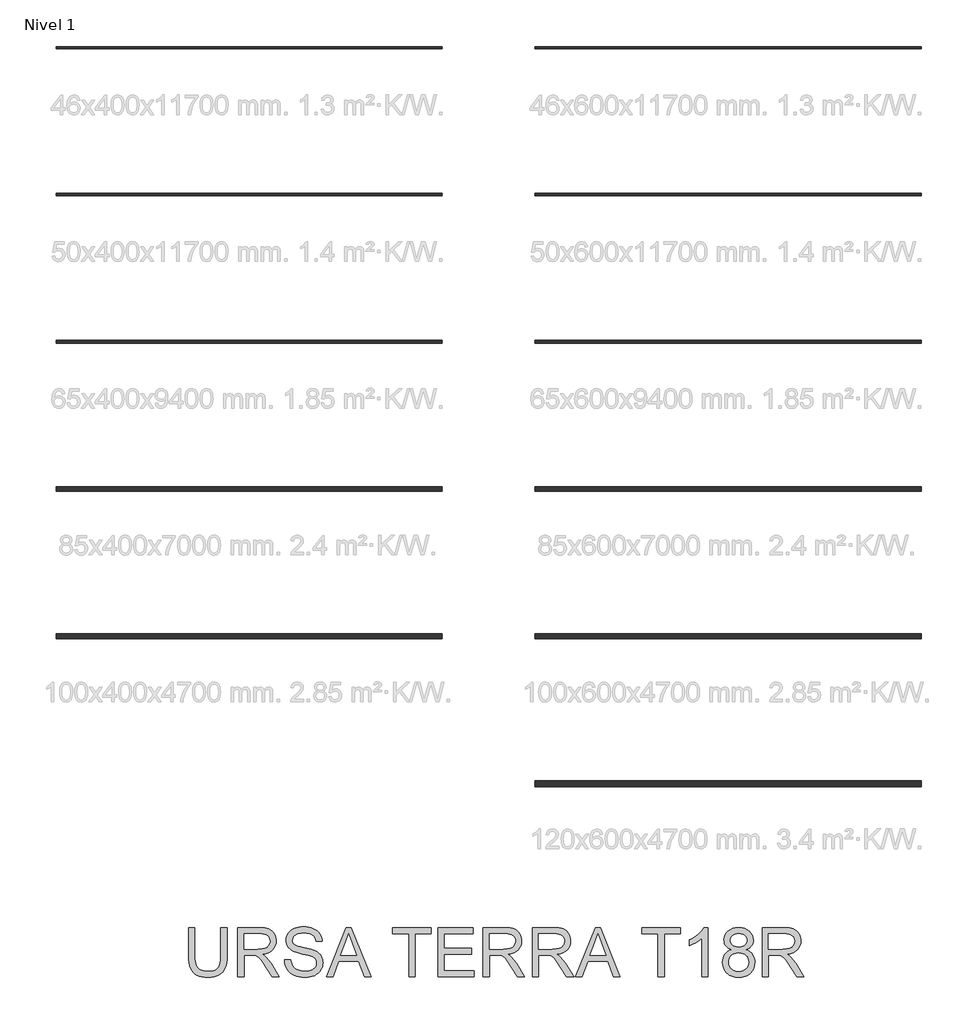
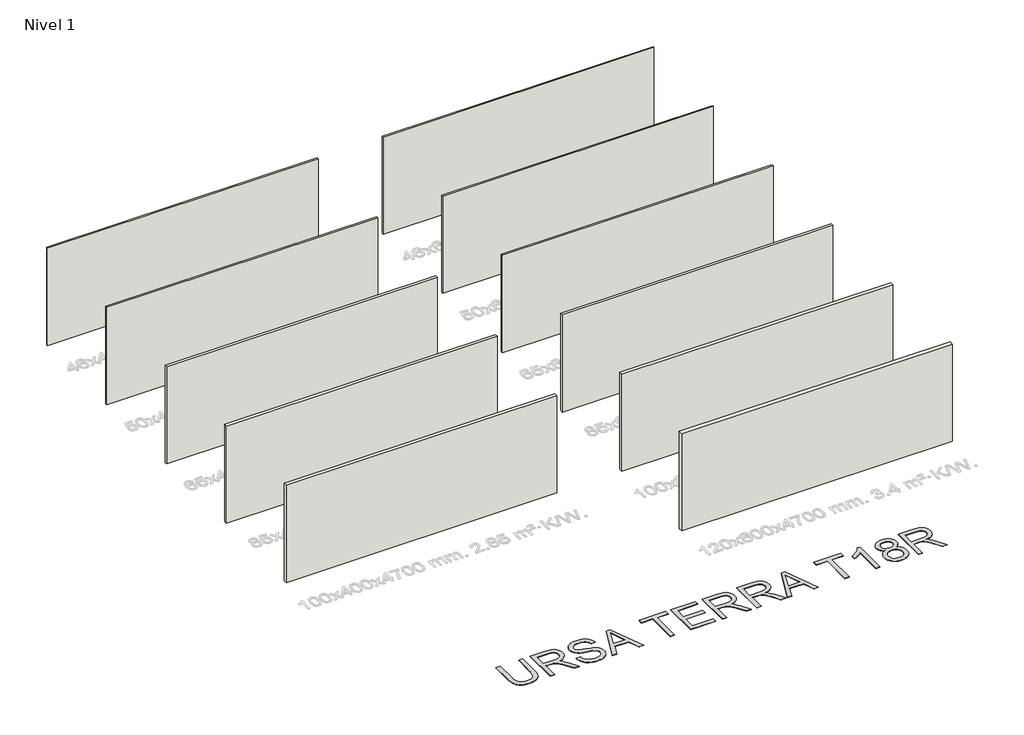
# One storey, part 1 of 12: 11 walls, 1 proxy.
"""IFC4 building model written with IfcOpenShell, lengths in millimetres."""

from ifc_helpers import new_model, si_unit, origin, origin_with_axes, place, context, project, spatial, polyline, outline, extrude, element, save

model = new_model("IFC4")

# Units and contexts
model_context = context("Model", 3, world=origin())
ifc_project = project(units=[si_unit("LENGTHUNIT", "METRE", prefix="MILLI")], contexts=[model_context])

# Site, building, storey
site = spatial("IfcSite", under=ifc_project)
building = spatial("IfcBuilding", under=site)
storey = spatial("IfcBuildingStorey", under=building, Name="Nivel 1", Elevation=0.0)

# Proxy
placement = place(None, origin())
element("IfcBuildingElementProxy", 1, Name="Texto de modelo 2", ObjectType="Texto de modelo 2", at=placement, inside=storey, context=model_context, shape_type="SweptSolid", body=[
    extrude(outline(polyline([(-8258.3419569, -14017.8387308), (-8132.7715692, -14017.8387308), (-8132.7715692, -14597.3755006), (-8134.9022191, -14669.1354823), (-8141.2941687, -14733.0933), (-8151.9474182, -14789.2489537), (-8166.8619674, -14837.6024434), (-8187.3254034, -14879.985515), (-8214.6253131, -14918.229914), (-8248.7616966, -14952.3356407), (-8289.7345538, -14982.3026949), (-8337.58987, -15006.7131981), (-8392.3736304, -15024.1492718), (-8454.0858351, -15034.6109161), (-8522.7264841, -15038.0981308), (-8589.673343, -15035.0631043), (-8650.2282522, -15025.958025), (-8704.3912118, -15010.7828927), (-8752.1622217, -14989.5377074), (-8793.5489462, -14962.5367018), (-8828.5590494, -14930.0941084), (-8857.1925313, -14892.2099271), (-8879.449392, -14848.8841579), (-8896.1343734, -14798.6299446), (-8908.0522172, -14739.9604305), (-8915.2029235, -14672.8756159), (-8917.5864922, -14597.3755006), (-8917.5864922, -14017.8387308), (-8792.0161045, -14017.8387308), (-8792.0161045, -14592.9609166), (-8790.4679345, -14653.66911), (-8785.8234243, -14705.8087187), (-8778.082574, -14749.3797425), (-8767.2453835, -14784.3821815), (-8752.6374026, -14813.3452244), (-8733.584181, -14838.7980599), (-8710.0857185, -14860.7406881), (-8682.1420153, -14879.1731089), (-8650.2895659, -14893.7657614), (-8615.0648648, -14904.1890846), (-8576.4679122, -14910.4430785), (-8534.4987079, -14912.5277431), (-8465.2909076, -14908.4043991), (-8406.7823419, -14896.034367), (-8358.973011, -14875.4176468), (-8339.0805585, -14862.0167788), (-8321.8629147, -14846.5542386), (-8306.9751902, -14828.1601389), (-8294.0724956, -14805.9645918), (-8274.2221963, -14750.1691559), (-8262.3120167, -14679.1679308), (-8258.3419569, -14592.9609166), (-8258.3419569, -14017.8387308)])), origin_with_axes(), (0.0, 0.0, 1.0), 10.0),
    extrude(outline(polyline([(-7913.0233907, -15022.4018323), (-7913.0233907, -14017.8387308), (-7480.1489097, -14017.8387308), (-7418.0151736, -14019.5325209), (-7363.8062287, -14024.6138909), (-7317.5220752, -14033.082841), (-7279.162713, -14044.9393712), (-7246.4978575, -14061.0955221), (-7217.2972242, -14082.4633347), (-7191.5608129, -14109.0428088), (-7169.2886238, -14140.8339446), (-7151.3160555, -14176.1276235), (-7138.4785067, -14213.2147271), (-7130.7759774, -14252.0952555), (-7128.2084677, -14292.7692086), (-7132.4621032, -14344.3646584), (-7145.2230099, -14391.7294653), (-7166.4911878, -14434.8636292), (-7196.2666368, -14473.7671502), (-7234.9325673, -14507.1984265), (-7282.8721898, -14533.9158564), (-7340.0855043, -14553.9194399), (-7406.5725107, -14567.209177), (-7365.1857862, -14594.2485036), (-7335.2034036, -14620.9199483), (-7283.761238, -14681.9270458), (-7233.4227183, -14750.1691559), (-7065.9137832, -15022.4018323), (-7211.8403079, -15022.4018323), (-7342.5610435, -14814.1806231), (-7394.8616005, -14734.7181121), (-7436.984089, -14676.3475022), (-7472.0861627, -14636.1563942), (-7503.3254754, -14611.2323891), (-7532.9093192, -14596.6090798), (-7563.044986, -14587.3200594), (-7635.885621, -14582.9054754), (-7787.453003, -14582.9054754), (-7787.453003, -15022.4018323), (-7913.0233907, -15022.4018323)]), holes=[polyline([(-7787.453003, -14457.3350877), (-7506.3911587, -14457.3350877), (-7425.6717176, -14452.889847), (-7363.0398079, -14439.5541246), (-7337.8552197, -14429.3300709), (-7315.8895989, -14416.4388726), (-7297.1429455, -14400.8805299), (-7281.6152597, -14382.6550427), (-7269.4368328, -14362.6591234), (-7260.7379564, -14341.7894844), (-7255.5186306, -14320.0461257), (-7253.7788554, -14297.4290472), (-7257.0974575, -14265.3160147), (-7267.053264, -14236.176695), (-7283.6462748, -14210.0110881), (-7306.87649, -14186.819194), (-7337.2804041, -14167.827286), (-7375.3945116, -14154.2616374), (-7421.2188126, -14146.1222482), (-7474.7533071, -14143.4091185), (-7787.453003, -14143.4091185), (-7787.453003, -14457.3350877)])]), origin_with_axes(), (0.0, 0.0, 1.0), 10.0),
    extrude(outline(polyline([(-6955.5491846, -14677.0832662), (-6829.9787969, -14677.0832662), (-6824.2306407, -14713.6338753), (-6815.5700854, -14746.7662475), (-6803.997131, -14776.4803828), (-6789.5117774, -14802.7762812), (-6771.3782608, -14826.1827732), (-6748.860817, -14847.228689), (-6721.9594461, -14865.9140286), (-6690.6741481, -14882.2387922), (-6656.1545542, -14895.4902082), (-6619.5502957, -14904.9555054), (-6580.8613725, -14910.6346837), (-6540.0877847, -14912.5277431), (-6470.128892, -14906.7949154), (-6438.4143983, -14899.6288807), (-6408.8765398, -14889.5964321), (-6382.2434162, -14877.0577874), (-6359.2431273, -14862.3731644), (-6339.875673, -14845.5425632), (-6324.1410535, -14826.5659836), (-6311.9626267, -14806.263496), (-6303.2637503, -14785.4551706), (-6298.0444245, -14764.1410075), (-6296.3046492, -14742.3210067), (-6301.5163108, -14700.2904887), (-6317.1512956, -14663.9621417), (-6330.303077, -14647.8443118), (-6348.9117746, -14632.9680836), (-6372.9773884, -14619.3334572), (-6402.4999185, -14606.9404325), (-6468.8106482, -14587.2280889), (-6585.3372701, -14558.9931457), (-6705.358771, -14527.2633237), (-6749.1597211, -14511.9732282), (-6782.1541375, -14497.0663432), (-6815.6850486, -14477.0627597), (-6844.6634199, -14454.8212274), (-6869.0892515, -14430.3417463), (-6888.9625435, -14403.6243164), (-6904.3599378, -14374.9448492), (-6915.3580766, -14344.5792562), (-6921.9569599, -14312.5275374), (-6924.1565877, -14278.7896928), (-6921.4357938, -14241.3960208), (-6913.273412, -14205.2439506), (-6899.6694424, -14170.333482), (-6880.6238849, -14136.6646153), (-6856.3513374, -14105.6092435), (-6827.0663978, -14078.53926), (-6792.7690659, -14055.4546648), (-6753.4593419, -14036.3554579), (-6710.4631337, -14021.3872593), (-6665.1063494, -14010.6956888), (-6617.388989, -14004.2807465), (-6567.3110524, -14002.1424324), (-6512.6805761, -14004.3803812), (-6461.3610377, -14011.0942276), (-6413.3524374, -14022.2839716), (-6368.654775, -14037.9496132), (-6328.095785, -14057.9531967), (-6292.503202, -14082.1567663), (-6261.8770259, -14110.560322), (-6236.2172567, -14143.1638639), (-6215.7231639, -14179.01703), (-6200.5940168, -14217.1694586), (-6190.8298155, -14257.6211496), (-6186.43056, -14300.3721031), (-6312.0009477, -14300.3721031), (-6320.4009199, -14260.3036225), (-6335.0548861, -14225.4468035), (-6355.9628461, -14195.801646), (-6383.1248001, -14171.3681502), (-6417.0465857, -14152.2689432), (-6458.2340408, -14138.6266526), (-6506.6871652, -14130.4412782), (-6562.4059591, -14127.7128201), (-6619.9028493, -14130.4106214), (-6669.030424, -14138.5040253), (-6709.7886834, -14151.9930317), (-6742.1776274, -14170.8776408), (-6766.8563779, -14193.5790256), (-6784.4840568, -14218.5183592), (-6795.0606642, -14245.6956416), (-6798.5862, -14275.1108728), (-6796.0876681, -14300.4180884), (-6788.5920725, -14323.3647278), (-6776.099413, -14343.9507911), (-6758.6096899, -14362.1762783), (-6731.0798539, -14379.4360753), (-6687.7310921, -14396.8798132), (-6628.5634046, -14414.5074921), (-6553.5767912, -14432.3191121), (-6415.1305337, -14465.9803146), (-6366.4168262, -14481.2014322), (-6331.3760661, -14495.3495606), (-6292.8787482, -14516.7940152), (-6259.7923612, -14540.9056143), (-6232.1169053, -14567.6843579), (-6209.8523804, -14597.1302459), (-6192.7382034, -14629.0899942), (-6180.5137913, -14663.4103187), (-6173.179144, -14700.0912193), (-6170.7342616, -14739.1326961), (-6173.547026, -14778.4117632), (-6181.9853192, -14816.5411992), (-6196.0491414, -14853.5210039), (-6215.7384923, -14889.3511774), (-6240.7084827, -14922.644498), (-6270.6142232, -14952.0137439), (-6305.4557139, -14977.4589153), (-6345.2329546, -14998.980012), (-6388.78865, -15016.094189), (-6434.9655046, -15028.3186011), (-6483.7635184, -15035.6532484), (-6535.1826914, -15038.0981308), (-6599.4164206, -15035.4616432), (-6658.208562, -15027.5521803), (-6711.5591155, -15014.3697421), (-6759.4680812, -14995.9143287), (-6802.2266989, -14972.1552832), (-6840.1262086, -14943.0619487), (-6873.1666103, -14908.6343253), (-6901.347904, -14868.872413), (-6924.0492888, -14825.0637988), (-6940.6499638, -14778.4960695), (-6951.1499291, -14729.1692253), (-6955.5491846, -14677.0832662)])), origin_with_axes(), (0.0, 0.0, 1.0), 10.0),
    extrude(outline(polyline([(-6099.3651545, -15022.4018323), (-5698.3737798, -14017.8387308), (-5591.4427465, -14017.8387308), (-5190.4513717, -15022.4018323), (-5323.1341447, -15022.4018323), (-5438.1585818, -14708.4758631), (-5851.9031991, -14708.4758631), (-5966.6823816, -15022.4018323), (-6099.3651545, -15022.4018323)]), holes=[polyline([(-5805.7953223, -14582.9054754), (-5484.0212039, -14582.9054754), (-5574.5201747, -14335.9340293), (-5644.9082631, -14143.4091185), (-5707.4482023, -14314.351619), (-5805.7953223, -14582.9054754)])]), origin_with_axes(), (0.0, 0.0, 1.0), 10.0),
    extrude(outline(polyline([(-4412.7488339, -15022.4018323), (-4412.7488339, -14143.4091185), (-4742.3711016, -14143.4091185), (-4742.3711016, -14017.8387308), (-3957.5561786, -14017.8387308), (-3957.5561786, -14143.4091185), (-4287.1784463, -14143.4091185), (-4287.1784463, -15022.4018323), (-4412.7488339, -15022.4018323)])), origin_with_axes(), (0.0, 0.0, 1.0), 10.0),
    extrude(outline(polyline([(-3816.2894924, -15022.4018323), (-3816.2894924, -14017.8387308), (-3094.2597632, -14017.8387308), (-3094.2597632, -14143.4091185), (-3690.7191047, -14143.4091185), (-3690.7191047, -14441.6387893), (-3125.6523601, -14441.6387893), (-3125.6523601, -14567.209177), (-3690.7191047, -14567.209177), (-3690.7191047, -14896.8314446), (-3078.5634648, -14896.8314446), (-3078.5634648, -15022.4018323), (-3816.2894924, -15022.4018323)])), origin_with_axes(), (0.0, 0.0, 1.0), 10.0),
    extrude(outline(polyline([(-2890.2078832, -15022.4018323), (-2890.2078832, -14017.8387308), (-2457.3334022, -14017.8387308), (-2395.1996661, -14019.5325209), (-2340.9907213, -14024.6138909), (-2294.7065678, -14033.082841), (-2256.3472055, -14044.9393712), (-2223.6823501, -14061.0955221), (-2194.4817167, -14082.4633347), (-2168.7453054, -14109.0428088), (-2146.4731163, -14140.8339446), (-2128.500548, -14176.1276235), (-2115.6629992, -14213.2147271), (-2107.9604699, -14252.0952555), (-2105.3929602, -14292.7692086), (-2109.6465958, -14344.3646584), (-2122.4075025, -14391.7294653), (-2143.6756803, -14434.8636292), (-2173.4511293, -14473.7671502), (-2212.1170598, -14507.1984265), (-2260.0566823, -14533.9158564), (-2317.2699968, -14553.9194399), (-2383.7570032, -14567.209177), (-2342.3702788, -14594.2485036), (-2312.3878961, -14620.9199483), (-2260.9457305, -14681.9270458), (-2210.6072108, -14750.1691559), (-2043.0982757, -15022.4018323), (-2189.0248004, -15022.4018323), (-2319.745536, -14814.1806231), (-2372.046093, -14734.7181121), (-2414.1685815, -14676.3475022), (-2449.2706552, -14636.1563942), (-2480.5099679, -14611.2323891), (-2510.0938117, -14596.6090798), (-2540.2294785, -14587.3200594), (-2613.0701135, -14582.9054754), (-2764.6374955, -14582.9054754), (-2764.6374955, -15022.4018323), (-2890.2078832, -15022.4018323)]), holes=[polyline([(-2764.6374955, -14457.3350877), (-2483.5756512, -14457.3350877), (-2402.8562101, -14452.889847), (-2340.2243004, -14439.5541246), (-2315.0397122, -14429.3300709), (-2293.0740914, -14416.4388726), (-2274.3274381, -14400.8805299), (-2258.7997522, -14382.6550427), (-2246.6213253, -14362.6591234), (-2237.922449, -14341.7894844), (-2232.7031231, -14320.0461257), (-2230.9633479, -14297.4290472), (-2234.28195, -14265.3160147), (-2244.2377565, -14236.176695), (-2260.8307674, -14210.0110881), (-2284.0609825, -14186.819194), (-2314.4648966, -14167.827286), (-2352.5790041, -14154.2616374), (-2398.4033051, -14146.1222482), (-2451.9377996, -14143.4091185), (-2764.6374955, -14143.4091185), (-2764.6374955, -14457.3350877)])]), origin_with_axes(), (0.0, 0.0, 1.0), 10.0),
    extrude(outline(polyline([(-1885.6447817, -15022.4018323), (-1885.6447817, -14017.8387308), (-1452.7703007, -14017.8387308), (-1390.6365646, -14019.5325209), (-1336.4276198, -14024.6138909), (-1290.1434663, -14033.082841), (-1251.784104, -14044.9393712), (-1219.1192486, -14061.0955221), (-1189.9186152, -14082.4633347), (-1164.1822039, -14109.0428088), (-1141.9100148, -14140.8339446), (-1123.9374465, -14176.1276235), (-1111.0998977, -14213.2147271), (-1103.3973685, -14252.0952555), (-1100.8298587, -14292.7692086), (-1105.0834943, -14344.3646584), (-1117.844401, -14391.7294653), (-1139.1125788, -14434.8636292), (-1168.8880278, -14473.7671502), (-1207.5539583, -14507.1984265), (-1255.4935808, -14533.9158564), (-1312.7068953, -14553.9194399), (-1379.1939017, -14567.209177), (-1337.8071773, -14594.2485036), (-1307.8247946, -14620.9199483), (-1256.382629, -14681.9270458), (-1206.0441093, -14750.1691559), (-1038.5351742, -15022.4018323), (-1184.4616989, -15022.4018323), (-1315.1824346, -14814.1806231), (-1367.4829915, -14734.7181121), (-1409.60548, -14676.3475022), (-1444.7075537, -14636.1563942), (-1475.9468664, -14611.2323891), (-1505.5307102, -14596.6090798), (-1535.666377, -14587.3200594), (-1608.507012, -14582.9054754), (-1760.0743941, -14582.9054754), (-1760.0743941, -15022.4018323), (-1885.6447817, -15022.4018323)]), holes=[polyline([(-1760.0743941, -14457.3350877), (-1479.0125497, -14457.3350877), (-1398.2931086, -14452.889847), (-1335.6611989, -14439.5541246), (-1310.4766107, -14429.3300709), (-1288.5109899, -14416.4388726), (-1269.7643366, -14400.8805299), (-1254.2366507, -14382.6550427), (-1242.0582238, -14362.6591234), (-1233.3593475, -14341.7894844), (-1228.1400217, -14320.0461257), (-1226.4002464, -14297.4290472), (-1229.7188485, -14265.3160147), (-1239.674655, -14236.176695), (-1256.2676659, -14210.0110881), (-1279.497881, -14186.819194), (-1309.9017951, -14167.827286), (-1348.0159026, -14154.2616374), (-1393.8402036, -14146.1222482), (-1447.3746982, -14143.4091185), (-1760.0743941, -14143.4091185), (-1760.0743941, -14457.3350877)])]), origin_with_axes(), (0.0, 0.0, 1.0), 10.0),
    extrude(outline(polyline([(-998.0681547, -15022.4018323), (-597.07678, -14017.8387308), (-490.1457467, -14017.8387308), (-89.154372, -15022.4018323), (-221.8371449, -15022.4018323), (-336.861582, -14708.4758631), (-750.6061993, -14708.4758631), (-865.3853818, -15022.4018323), (-998.0681547, -15022.4018323)]), holes=[polyline([(-704.4983226, -14582.9054754), (-382.7242041, -14582.9054754), (-473.2231749, -14335.9340293), (-543.6112633, -14143.4091185), (-606.1512025, -14314.351619), (-704.4983226, -14582.9054754)])]), origin_with_axes(), (0.0, 0.0, 1.0), 10.0),
    extrude(outline(polyline([(688.5481658, -15022.4018323), (688.5481658, -14143.4091185), (358.9258982, -14143.4091185), (358.9258982, -14017.8387308), (1143.7408212, -14017.8387308), (1143.7408212, -14143.4091185), (814.1185535, -14143.4091185), (814.1185535, -15022.4018323), (688.5481658, -15022.4018323)])), origin_with_axes(), (0.0, 0.0, 1.0), 10.0),
    extrude(outline(polyline([(1708.8075658, -15022.4018323), (1583.2371781, -15022.4018323), (1583.2371781, -14239.5489466), (1530.8139938, -14281.9473465), (1464.2886663, -14324.2844328), (1394.4524009, -14361.2872302), (1332.0964027, -14387.6827633), (1332.0964027, -14268.9795062), (1383.0557233, -14243.427036), (1430.7194343, -14215.3300486), (1475.0875357, -14184.6885441), (1516.1600277, -14151.5025224), (1552.7106367, -14117.3048253), (1583.5130896, -14083.6282943), (1608.5673863, -14050.4729295), (1627.8735269, -14017.8387308), (1708.8075658, -14017.8387308), (1708.8075658, -15022.4018323)])), origin_with_axes(), (0.0, 0.0, 1.0), 10.0),
    extrude(outline(polyline([(2189.9972155, -14469.1073116), (2153.8758021, -14454.0241498), (2122.7667809, -14435.997932), (2096.6701518, -14415.0286583), (2075.585915, -14391.1163286), (2059.3301293, -14364.4908692), (2047.7188539, -14335.3822063), (2040.7520886, -14303.79034), (2038.4298335, -14269.7152702), (2043.4882109, -14218.5030308), (2058.6633432, -14171.5520912), (2083.9552304, -14128.8624513), (2119.3638724, -14090.4341112), (2163.1878151, -14058.6736323), (2213.7256042, -14035.9875759), (2270.9772397, -14022.3759421), (2334.9427216, -14017.8387308), (2399.2147718, -14022.483241), (2456.895603, -14036.4167716), (2507.9852151, -14059.6393225), (2552.4836081, -14092.1508939), (2588.5360436, -14131.3303264), (2614.2877833, -14174.5564608), (2629.7388271, -14221.8292972), (2634.889175, -14273.1488355), (2632.5975767, -14306.0206246), (2625.7227819, -14336.7004502), (2614.2647906, -14365.1883122), (2598.2236028, -14391.4842106), (2577.5225764, -14415.2355919), (2552.0850692, -14436.0899025), (2521.9110814, -14454.0471424), (2487.0006129, -14469.1073116), (2528.2723743, -14486.6660127), (2564.2864888, -14508.9305376), (2595.0429564, -14535.9008863), (2620.5417772, -14567.577059), (2640.5530249, -14603.2539483), (2654.8467732, -14642.2264472), (2663.4230222, -14684.4945556), (2666.2817719, -14730.0582735), (2660.6102578, -14792.6901832), (2643.5957155, -14850.1104313), (2615.2381451, -14902.3190177), (2575.5375464, -14949.3159426), (2551.9547777, -14970.124268), (2526.5785842, -14988.15815), (2499.4089661, -15003.4175885), (2470.4459231, -15015.9025838), (2407.1395631, -15032.549244), (2336.6595042, -15038.0981308), (2266.1794453, -15032.5262514), (2202.8730853, -15015.8106133), (2173.9100424, -15003.2738846), (2146.7404242, -14987.9512163), (2121.3642308, -14969.8426083), (2097.781462, -14948.9480606), (2058.0808634, -14901.6215748), (2029.7232929, -14848.7921874), (2012.7087507, -14790.4598986), (2007.0372366, -14726.6247082), (2010.0109494, -14678.9839898), (2018.9320877, -14635.3899734), (2033.8006517, -14595.8426589), (2054.6166413, -14560.3420464), (2080.9202039, -14529.5319293), (2112.2514872, -14504.0561011), (2148.610491, -14483.9145619), (2189.9972155, -14469.1073116)]), holes=[polyline([(2132.6076242, -14722.2101243), (2137.8499427, -14770.2493815), (2153.576898, -14816.755797), (2166.0772216, -14838.3305432), (2182.6089188, -14857.314787), (2203.1719894, -14873.7085284), (2227.7664337, -14887.5117674), (2281.845087, -14906.2737492), (2337.6405229, -14912.5277431), (2383.0432925, -14909.2397978), (2423.1117731, -14899.3759618), (2457.8459648, -14882.9362351), (2487.2458676, -14859.9206178), (2510.6370311, -14831.8312946), (2527.3450051, -14800.1704504), (2537.3697894, -14764.9380852), (2540.7113842, -14726.1341989), (2537.2624905, -14686.7095117), (2526.9158094, -14650.8410172), (2509.6713409, -14618.5287153), (2485.529085, -14589.772606), (2455.3321045, -14566.1668447), (2419.9234625, -14549.3055865), (2379.3031588, -14539.1888317), (2333.4711936, -14535.81658), (2288.7352102, -14539.1428464), (2249.1955599, -14549.1216455), (2214.8522428, -14565.7529774), (2185.7052589, -14589.036842), (2162.4750437, -14617.3177704), (2145.8820329, -14648.9402936), (2135.9262264, -14683.9044115), (2132.6076242, -14722.2101243)]), polyline([(2164.0002212, -14273.3940902), (2166.7823288, -14302.1808563), (2175.1286515, -14328.2085074), (2189.0391895, -14351.4770436), (2208.5139426, -14371.9864649), (2233.3076562, -14388.7250956), (2263.1750757, -14400.6812605), (2298.116201, -14407.8549594), (2338.1310322, -14410.2461924), (2377.1571805, -14407.8702878), (2411.3395493, -14400.7425742), (2440.6781384, -14388.8630514), (2465.1729479, -14372.2317195), (2484.4867526, -14352.151494), (2498.2823275, -14329.9252901), (2506.5596723, -14305.5531079), (2509.3187873, -14279.0349474), (2506.4677018, -14251.4821188), (2497.9144455, -14226.2132243), (2483.6590181, -14203.2282638), (2463.7014199, -14182.5272373), (2438.6547874, -14165.4130604), (2409.1322573, -14153.1886482), (2375.1338296, -14145.854001), (2336.6595042, -14143.4091185), (2297.8862748, -14145.8003515), (2263.7268987, -14152.9740504), (2234.181376, -14164.9302152), (2209.2497066, -14181.668846), (2189.4530567, -14201.7490716), (2175.3125925, -14223.7300208), (2166.828314, -14247.6116937), (2164.0002212, -14273.3940902)])]), origin_with_axes(), (0.0, 0.0, 1.0), 10.0),
    extrude(outline(polyline([(2823.2447565, -15022.4018323), (2823.2447565, -14017.8387308), (3256.1192375, -14017.8387308), (3318.2529737, -14019.5325209), (3372.4619185, -14024.6138909), (3418.746072, -14033.082841), (3457.1054342, -14044.9393712), (3489.7702897, -14061.0955221), (3518.9709231, -14082.4633347), (3544.7073343, -14109.0428088), (3566.9795234, -14140.8339446), (3584.9520917, -14176.1276235), (3597.7896405, -14213.2147271), (3605.4921698, -14252.0952555), (3608.0596796, -14292.7692086), (3603.806044, -14344.3646584), (3591.0451373, -14391.7294653), (3569.7769594, -14434.8636292), (3540.0015105, -14473.7671502), (3501.3355799, -14507.1984265), (3453.3959574, -14533.9158564), (3396.182643, -14553.9194399), (3329.6956366, -14567.209177), (3371.082361, -14594.2485036), (3401.0647436, -14620.9199483), (3452.5069093, -14681.9270458), (3502.8454289, -14750.1691559), (3670.3543641, -15022.4018323), (3524.4278393, -15022.4018323), (3393.7071037, -14814.1806231), (3341.4065467, -14734.7181121), (3299.2840583, -14676.3475022), (3264.1819846, -14636.1563942), (3232.9426718, -14611.2323891), (3203.358828, -14596.6090798), (3173.2231613, -14587.3200594), (3100.3825262, -14582.9054754), (2948.8151442, -14582.9054754), (2948.8151442, -15022.4018323), (2823.2447565, -15022.4018323)]), holes=[polyline([(2948.8151442, -14457.3350877), (3229.8769885, -14457.3350877), (3310.5964296, -14452.889847), (3373.2283393, -14439.5541246), (3398.4129276, -14429.3300709), (3420.3785484, -14416.4388726), (3439.1252017, -14400.8805299), (3454.6528876, -14382.6550427), (3466.8313145, -14362.6591234), (3475.5301908, -14341.7894844), (3480.7495166, -14320.0461257), (3482.4892919, -14297.4290472), (3479.1706897, -14265.3160147), (3469.2148832, -14236.176695), (3452.6218724, -14210.0110881), (3429.3916572, -14186.819194), (3398.9877432, -14167.827286), (3360.8736356, -14154.2616374), (3315.0493346, -14146.1222482), (3261.5148401, -14143.4091185), (2948.8151442, -14143.4091185), (2948.8151442, -14457.3350877)])]), origin_with_axes(), (0.0, 0.0, 1.0), 10.0),
])

# Walls
element("IfcWall", 2, at=placement, inside=storey, context=model_context, shape_type="SweptSolid", body=[
    extrude(outline(polyline([(-3731.2417232, 3954.3831431), (-11631.2417232, 3954.3831431), (-11631.2417232, 4000.3831431), (-3731.2417232, 4000.3831431), (-3731.2417232, 3954.3831431)])), origin_with_axes(), (0.0, 0.0, 1.0), 3000.0),
])
element("IfcWall", 3, at=placement, inside=storey, context=model_context, shape_type="SweptSolid", body=[
    extrude(outline(polyline([(-3731.2417232, 950.3831431), (-11631.2417232, 950.3831431), (-11631.2417232, 1000.3831431), (-3731.2417232, 1000.3831431), (-3731.2417232, 950.3831431)])), origin_with_axes(), (0.0, 0.0, 1.0), 3000.0),
])
element("IfcWall", 4, at=placement, inside=storey, context=model_context, shape_type="SweptSolid", body=[
    extrude(outline(polyline([(6068.7582768, 3954.3831431), (-1831.2417232, 3954.3831431), (-1831.2417232, 4000.3831431), (6068.7582768, 4000.3831431), (6068.7582768, 3954.3831431)])), origin_with_axes(), (0.0, 0.0, 1.0), 3000.0),
])
element("IfcWall", 5, at=placement, inside=storey, context=model_context, shape_type="SweptSolid", body=[
    extrude(outline(polyline([(-3731.2417232, -2068.6168569), (-11631.2417232, -2068.6168569), (-11631.2417232, -2003.6168569), (-3731.2417232, -2003.6168569), (-3731.2417232, -2068.6168569)])), origin_with_axes(), (0.0, 0.0, 1.0), 3000.0),
])
element("IfcWall", 6, at=placement, inside=storey, context=model_context, shape_type="SweptSolid", body=[
    extrude(outline(polyline([(-3731.2417232, -5092.6168569), (-11631.2417232, -5092.6168569), (-11631.2417232, -5007.6168569), (-3731.2417232, -5007.6168569), (-3731.2417232, -5092.6168569)])), origin_with_axes(), (0.0, 0.0, 1.0), 3000.0),
])
element("IfcWall", 7, at=placement, inside=storey, context=model_context, shape_type="SweptSolid", body=[
    extrude(outline(polyline([(-3731.2417232, -8111.6168569), (-11631.2417232, -8111.6168569), (-11631.2417232, -8011.6168569), (-3731.2417232, -8011.6168569), (-3731.2417232, -8111.6168569)])), origin_with_axes(), (0.0, 0.0, 1.0), 3000.0),
])
element("IfcWall", 8, at=placement, inside=storey, context=model_context, shape_type="SweptSolid", body=[
    extrude(outline(polyline([(6068.7582768, 950.3831431), (-1831.2417232, 950.3831431), (-1831.2417232, 1000.3831431), (6068.7582768, 1000.3831431), (6068.7582768, 950.3831431)])), origin_with_axes(), (0.0, 0.0, 1.0), 3000.0),
])
element("IfcWall", 9, at=placement, inside=storey, context=model_context, shape_type="SweptSolid", body=[
    extrude(outline(polyline([(6068.7582768, -2068.6168569), (-1831.2417232, -2068.6168569), (-1831.2417232, -2003.6168569), (6068.7582768, -2003.6168569), (6068.7582768, -2068.6168569)])), origin_with_axes(), (0.0, 0.0, 1.0), 3000.0),
])
element("IfcWall", 10, at=placement, inside=storey, context=model_context, shape_type="SweptSolid", body=[
    extrude(outline(polyline([(6068.7582768, -5092.6168569), (-1831.2417232, -5092.6168569), (-1831.2417232, -5007.6168569), (6068.7582768, -5007.6168569), (6068.7582768, -5092.6168569)])), origin_with_axes(), (0.0, 0.0, 1.0), 3000.0),
])
element("IfcWall", 11, at=placement, inside=storey, context=model_context, shape_type="SweptSolid", body=[
    extrude(outline(polyline([(6068.7582768, -8111.6168569), (-1831.2417232, -8111.6168569), (-1831.2417232, -8011.6168569), (6068.7582768, -8011.6168569), (6068.7582768, -8111.6168569)])), origin_with_axes(), (0.0, 0.0, 1.0), 3000.0),
])
element("IfcWall", 12, at=placement, inside=storey, context=model_context, shape_type="SweptSolid", body=[
    extrude(outline(polyline([(6068.7582768, -11135.6168569), (-1831.2417232, -11135.6168569), (-1831.2417232, -11015.6168569), (6068.7582768, -11015.6168569), (6068.7582768, -11135.6168569)])), origin_with_axes(), (0.0, 0.0, 1.0), 3000.0),
])

save(model, "model.ifc")
